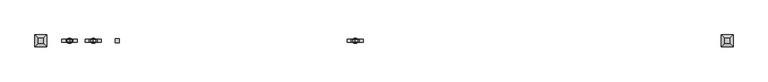
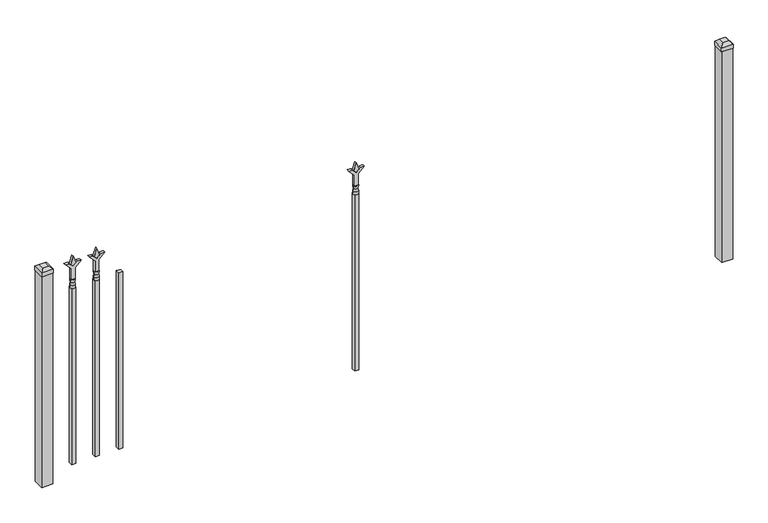
"""IFC4 building model written with IfcOpenShell, lengths in millimetres: railing geometry."""

import ifcopenshell
import ifcopenshell.guid

model = None  # the IFC model being written
_history = None  # IfcOwnerHistory: only IFC2X3 demands one
_inside = {}  # id of a spatial element -> (the spatial element, [elements in it])
_under = {}  # id of a project, library or spatial element -> (it, [spatial elements below it])
_declared = {}  # id of a project -> (the project, [libraries it declares])
_typed = {}  # id of a type object -> (the type object, [elements of that type])
_made_of = {}  # id of a material, layer set ... -> (it, [elements and type objects made of it])


def new_model(schema):
    """Start an empty IFC model of exactly this schema.

    Asked for "IFC4X3", IfcOpenShell would pick the latest addendum, in which some entities
    have other attributes; the version numbers below select the first issue.
    IFC2X3 requires an IfcOwnerHistory on every rooted entity: one is made here for all.
    """
    global model, _history
    if schema == "IFC4X3":
        model = ifcopenshell.file(schema_version=(4, 3, 0, 0))
    else:
        model = ifcopenshell.file(schema=schema)
    _inside.clear()
    _under.clear()
    _declared.clear()
    _typed.clear()
    _made_of.clear()
    _history = None
    if model.schema == "IFC2X3":
        org = make("IfcOrganization", Name="unknown")
        user = make(
            "IfcPersonAndOrganization",
            ThePerson=make("IfcPerson", FamilyName="unknown"),
            TheOrganization=org,
        )
        app = make(
            "IfcApplication",
            ApplicationDeveloper=org,
            Version="unknown",
            ApplicationFullName="unknown",
            ApplicationIdentifier="unknown",
        )
        _history = make(
            "IfcOwnerHistory",
            OwningUser=user,
            OwningApplication=app,
            ChangeAction="ADDED",
            CreationDate=0,
        )
    return model


def make(cls, **values):
    """One entity of the class cls with the attributes given. An attribute that is None is left unset."""
    return model.create_entity(
        cls, **{name: value for name, value in values.items() if value is not None}
    )


def rooted(cls, **values):
    """An entity with a GlobalId (a new one), such as an element, a storey or a relation."""
    return make(cls, GlobalId=ifcopenshell.guid.new(), OwnerHistory=_history, **values)


def si_unit(unit_type, name, prefix=None):
    """IfcSIUnit, for example si_unit("LENGTHUNIT", "METRE", prefix="MILLI")."""
    return make("IfcSIUnit", UnitType=unit_type, Prefix=prefix, Name=name)


def assignment(units):
    """IfcUnitAssignment: the units of a project."""
    return None if units is None else make("IfcUnitAssignment", Units=units)


def point(xyz):
    """IfcCartesianPoint."""
    return None if xyz is None else make("IfcCartesianPoint", Coordinates=xyz)


def direction(xyz):
    """IfcDirection."""
    return None if xyz is None else make("IfcDirection", DirectionRatios=xyz)


def frame(location, z_axis=None, x_axis=None):
    """IfcAxis2Placement3D, a coordinate frame: its origin and axes. An axis left out is left unset."""
    return make(
        "IfcAxis2Placement3D",
        Location=point(location),
        Axis=direction(z_axis),
        RefDirection=direction(x_axis),
    )


def origin():
    """The frame at (0, 0, 0) with its axes left unset."""
    return frame((0.0, 0.0, 0.0))


def origin_with_axes():
    """The frame at (0, 0, 0) with the z axis (0, 0, 1) and the x axis (1, 0, 0) written out."""
    return frame((0.0, 0.0, 0.0), z_axis=(0.0, 0.0, 1.0), x_axis=(1.0, 0.0, 0.0))


def place(relative_to, where):
    """IfcLocalPlacement: puts the frame where relative to a parent placement (None: the world)."""
    return make(
        "IfcLocalPlacement", PlacementRelTo=relative_to, RelativePlacement=where
    )


def context(
    kind, dimensions, precision=None, world=None, true_north=None, identifier=None
):
    """IfcGeometricRepresentationContext, for example the 3D "Model" context."""
    return make(
        "IfcGeometricRepresentationContext",
        ContextIdentifier=identifier,
        ContextType=kind,
        CoordinateSpaceDimension=dimensions,
        Precision=precision,
        WorldCoordinateSystem=world,
        TrueNorth=true_north,
    )


def project(units=None, contexts=None):
    """IfcProject with its units and contexts."""
    return rooted(
        "IfcProject",
        Name="project",
        RepresentationContexts=contexts,
        UnitsInContext=assignment(units),
    )


def spatial(cls, under=None, at=None, **own):
    """A site, building, storey or space (cls), placed at a placement, below another one or the project."""
    s = rooted(cls, ObjectPlacement=at, **own)
    if under is not None:
        _under.setdefault(under.id(), (under, []))[1].append(s)
    return s


def polyline(points):
    """IfcPolyline through the points."""
    return make("IfcPolyline", Points=[point(p) for p in points])


def circle_curve(where, radius):
    """IfcCircle in the frame where."""
    return make("IfcCircle", Position=where, Radius=radius)


def outline(outer, holes=None, kind="AREA"):
    """IfcArbitraryClosedProfileDef: a profile drawn as a closed curve; with holes, ...WithVoids."""
    if holes is None:
        return make("IfcArbitraryClosedProfileDef", ProfileType=kind, OuterCurve=outer)
    return make(
        "IfcArbitraryProfileDefWithVoids",
        ProfileType=kind,
        OuterCurve=outer,
        InnerCurves=holes,
    )


def extrude(swept, where, along, depth):
    """IfcExtrudedAreaSolid: the profile swept, set in the frame where, extruded along a direction by depth."""
    return make(
        "IfcExtrudedAreaSolid",
        SweptArea=swept,
        Position=where,
        ExtrudedDirection=direction(along),
        Depth=depth,
    )


def faces_of(points, faces, orient=None, outer=None):
    """IfcFace entities. A face is a list of loops; a loop is a list of indices into points, from 0.

    orient and outer hold one flag for each loop. By default every Orientation is true, the
    first loop of a face is its IfcFaceOuterBound and the others are IfcFaceBound.
    """
    made = []
    for i, loops in enumerate(faces):
        bounds = []
        for j, loop in enumerate(loops):
            is_outer = j == 0 if outer is None else outer[i][j]
            bounds.append(
                make(
                    "IfcFaceOuterBound" if is_outer else "IfcFaceBound",
                    Bound=make("IfcPolyLoop", Polygon=[points[k] for k in loop]),
                    Orientation=True if orient is None else orient[i][j],
                )
            )
        made.append(make("IfcFace", Bounds=bounds))
    return made


def faceted_brep(points, faces, orient=None, outer=None, voids=None):
    """IfcFacetedBrep: a solid bounded by flat faces; with voids (closed shells), ...WithVoids."""
    shared = [point(p) for p in points]
    hull = make("IfcClosedShell", CfsFaces=faces_of(shared, faces, orient, outer))
    if voids is None:
        return make("IfcFacetedBrep", Outer=hull)
    return make(
        "IfcFacetedBrepWithVoids",
        Outer=hull,
        Voids=[
            make(cls, CfsFaces=faces_of(shared, fs, o, b)) for cls, fs, o, b in voids
        ],
    )


def shape(context_of_items, identifier, shape_type, items):
    """IfcShapeRepresentation: the items that make up one representation, for example the "Body"."""
    return make(
        "IfcShapeRepresentation",
        ContextOfItems=context_of_items,
        RepresentationIdentifier=identifier,
        RepresentationType=shape_type,
        Items=items,
    )


def source(mapping_origin, context_of_items, identifier, shape_type, items):
    """IfcRepresentationMap: a shape defined once, which mapped items show again and again."""
    return make(
        "IfcRepresentationMap",
        MappingOrigin=mapping_origin,
        MappedRepresentation=shape(context_of_items, identifier, shape_type, items),
    )


def transform(
    local_origin,
    x_axis=None,
    y_axis=None,
    z_axis=None,
    scale=None,
    scale2=None,
    scale3=None,
    uniform=True,
):
    """IfcCartesianTransformationOperator3D, or its non-uniform kind. x_axis, y_axis, z_axis: its Axis1, 2, 3."""
    if uniform:
        return make(
            "IfcCartesianTransformationOperator3D",
            Axis1=direction(x_axis),
            Axis2=direction(y_axis),
            LocalOrigin=point(local_origin),
            Scale=scale,
            Axis3=direction(z_axis),
        )
    return make(
        "IfcCartesianTransformationOperator3DnonUniform",
        Axis1=direction(x_axis),
        Axis2=direction(y_axis),
        LocalOrigin=point(local_origin),
        Scale=scale,
        Axis3=direction(z_axis),
        Scale2=scale2,
        Scale3=scale3,
    )


def mapped(mapping_source, mapping_target):
    """IfcMappedItem: shows the shape of a source again, moved by a transform."""
    return make(
        "IfcMappedItem", MappingSource=mapping_source, MappingTarget=mapping_target
    )


def made_of(thing, what):
    """Note that an element or type object is made of a material, layer set ...; save() writes the relation."""
    if what is not None:
        _made_of.setdefault(what.id(), (what, []))[1].append(thing)
    return thing


def element(
    cls,
    number,
    at=None,
    inside=None,
    cuts=None,
    type_object=None,
    material=None,
    context=None,
    identifier="Body",
    shape_type=None,
    held_by="IfcProductDefinitionShape",
    body=None,
    shapes=None,
    **own,
):
    """One element of the class cls, such as IfcWall. Its Tag is "e" and its number.

    at: its placement. inside: the storey or other place that contains it. cuts: it is an
    opening in that element (IfcRelVoidsElement). A single representation is given by context,
    identifier, shape_type and body (its items); several are given by shapes. held_by: the class
    of the entity that holds the representations. save() writes the other relations.
    """
    e = rooted(cls, Tag="e%d" % number, ObjectPlacement=at, **own)
    if body is not None:
        shapes = [shape(context, identifier, shape_type, body)]
    if shapes is not None:
        e.Representation = make(held_by, Representations=shapes)
    if inside is not None:
        _inside.setdefault(inside.id(), (inside, []))[1].append(e)
    if cuts is not None:
        rooted(
            "IfcRelVoidsElement", RelatingBuildingElement=cuts, RelatedOpeningElement=e
        )
    if type_object is not None:
        _typed.setdefault(type_object.id(), (type_object, []))[1].append(e)
    return made_of(e, material)


def aggregate(whole, parts):
    """IfcRelAggregates: a whole, such as a stair, and the parts it consists of."""
    return rooted("IfcRelAggregates", RelatingObject=whole, RelatedObjects=parts)


def save(model, path):
    """Write the relations noted so far, then the file.

    IfcRelAggregates (storeys below a building ...), IfcRelContainedInSpatialStructure (elements
    in a storey), IfcRelDefinesByType, IfcRelAssociatesMaterial and IfcRelDeclares: one each for
    every whole, place, type object, material and project.
    """
    for whole, parts in _under.values():
        aggregate(whole, parts)
    for where, things in _inside.values():
        rooted(
            "IfcRelContainedInSpatialStructure",
            RelatedElements=things,
            RelatingStructure=where,
        )
    for kind, things in _typed.values():
        rooted("IfcRelDefinesByType", RelatedObjects=things, RelatingType=kind)
    for what, things in _made_of.values():
        rooted("IfcRelAssociatesMaterial", RelatedObjects=things, RelatingMaterial=what)
    for by, libraries in _declared.values():
        rooted("IfcRelDeclares", RelatingContext=by, RelatedDefinitions=libraries)
    model.write(path)


def plane_surface(at):
    """IfcPlane: the flat surface through the origin of the frame at, square to its z axis."""
    return make("IfcPlane", Position=at)


def cylinder_surface(at, radius):
    """IfcCylindricalSurface: all points at the distance radius from the z axis of the frame at."""
    return make("IfcCylindricalSurface", Position=at, Radius=radius)


def revolved_surface(curve, axis_point, axis_direction):
    """IfcSurfaceOfRevolution: the curve turned about the line through axis_point along axis_direction."""
    return make(
        "IfcSurfaceOfRevolution",
        SweptCurve=make("IfcArbitraryOpenProfileDef", ProfileType="CURVE", Curve=curve),
        AxisPosition=make("IfcAxis1Placement", Location=point(axis_point), Axis=direction(axis_direction)),
    )


def advanced_brep(points, edges, surfaces, faces):
    """IfcAdvancedBrep: a solid bounded by faces that lie on surfaces and meet in shared edges.

    An edge is (start, end): straight between two places in points (the first is 0);
    or (start, end, curve); or (start, end, curve, False) where it runs against its curve.
    A face is (place in surfaces, loops), or (place, loops, False) where it looks against
    its surface's normal. A loop lists edges by number (the first is 1), with a minus sign
    where the edge is run from its end to its start. The first loop is the outer one.
    """
    corners = [point(p) for p in points]
    vertices = [make("IfcVertexPoint", VertexGeometry=c) for c in corners]
    made = []
    for start, end, *more in edges:
        made.append(
            make(
                "IfcEdgeCurve",
                EdgeStart=vertices[start],
                EdgeEnd=vertices[end],
                EdgeGeometry=more[0] if more else make("IfcPolyline", Points=[corners[start], corners[end]]),
                SameSense=more[1] if len(more) > 1 else True,
            )
        )
    hull = []
    for where, loops, *sense in faces:
        bounds = []
        for j, loop in enumerate(loops):
            ring = [make("IfcOrientedEdge", EdgeElement=made[abs(k) - 1], Orientation=k > 0) for k in loop]
            bounds.append(
                make(
                    "IfcFaceOuterBound" if j == 0 else "IfcFaceBound",
                    Bound=make("IfcEdgeLoop", EdgeList=ring),
                    Orientation=True,
                )
            )
        hull.append(make("IfcAdvancedFace", Bounds=bounds, FaceSurface=surfaces[where], SameSense=sense[0] if sense else True))
    return make("IfcAdvancedBrep", Outer=make("IfcClosedShell", CfsFaces=hull))


def railing_affaf139(model_context):
    return source(origin(), model_context, "Body", "SolidModel", [
        extrude(outline(polyline([(-85388.5347536, -3064.1320174), (-85369.4847536, -3064.1320174), (-85369.4847536, -3083.1820174), (-85388.5347536, -3083.1820174), (-85388.5347536, -3064.1320174)])), frame((0.0, 0.0, 50.8), z_axis=(0.0, 0.0, 1.0), x_axis=(1.0, 0.0, 0.0)), (0.0, 0.0, 1.0), 863.6),
        extrude(outline(polyline([(1031.08125, -85476.3764203), (1066.8, -85488.2826703), (1031.08125, -85500.1889203), (1019.175, -85488.2826703), (1031.08125, -85476.3764203)])), frame((0.0, -3078.4195174, 0.0), z_axis=(0.0, 1.0, 0.0), x_axis=(0.0, 0.0, 1.0)), (0.0, 0.0, 1.0), 9.525),
        extrude(outline(polyline([(955.675, -85479.5514203), (1009.9457378, -85479.5514203), (1037.1355122, -85452.3616458), (1037.1355122, -85470.3221581), (1019.175, -85488.2826703), (1037.1355122, -85506.2431825), (1037.1355122, -85524.2036948), (1009.9457378, -85497.0139203), (955.675, -85497.0139203), (955.675, -85479.5514203)])), frame((0.0, -3080.0070174, 0.0), z_axis=(0.0, 1.0, 0.0), x_axis=(0.0, 0.0, 1.0)), (0.0, 0.0, 1.0), 12.7),
        advanced_brep(
        [(-85476.3764203, -3073.6570174, 927.1), (-85500.1889203, -3073.6570174, 927.1), (-85500.1889203, -3073.6570174, 914.4), (-85476.3764203, -3073.6570174, 914.4), (-85478.5817522, -3073.6570174, 939.6070585), (-85497.9835884, -3073.6570174, 939.6070585), (-85476.3764203, -3073.6570174, 955.675), (-85500.1889203, -3073.6570174, 955.675), (-85488.2826703, -3073.6570174, 955.675), (-85488.2826703, -3073.6570174, 914.4)],
        [
            (0, 1, circle_curve(frame((-85488.2826703, -3073.6570174, 927.1), z_axis=(0.0, 0.0, -1.0), x_axis=(-1.0, 0.0, 0.0)), 11.90625)),
            (1, 2),
            (2, 3, circle_curve(frame((-85488.2826703, -3073.6570174, 914.4), z_axis=(0.0, 0.0, 1.0), x_axis=(-1.0, 0.0, 0.0)), 11.90625)),
            (3, 0),
            (1, 0, circle_curve(frame((-85488.2826703, -3073.6570174, 927.1), z_axis=(0.0, 0.0, -1.0), x_axis=(-1.0, 0.0, 0.0)), 11.90625)),
            (3, 2, circle_curve(frame((-85488.2826703, -3073.6570174, 914.4), z_axis=(0.0, 0.0, 1.0), x_axis=(-1.0, 0.0, 0.0)), 11.90625)),
            (4, 5, circle_curve(frame((-85488.2826703, -3073.6570174, 939.6070585), z_axis=(0.0, 0.0, -1.0), x_axis=(-1.0, 0.0, 0.0)), 9.7009181)),
            (5, 1),
            (0, 4),
            (5, 4, circle_curve(frame((-85488.2826703, -3073.6570174, 939.6070585), z_axis=(0.0, 0.0, -1.0), x_axis=(-1.0, 0.0, 0.0)), 9.7009181)),
            (6, 7, circle_curve(frame((-85488.2826703, -3073.6570174, 955.675), z_axis=(0.0, 0.0, -1.0), x_axis=(-1.0, 0.0, 0.0)), 11.90625)),
            (7, 5),
            (4, 6),
            (7, 6, circle_curve(frame((-85488.2826703, -3073.6570174, 955.675), z_axis=(0.0, 0.0, -1.0), x_axis=(-1.0, 0.0, 0.0)), 11.90625)),
            (8, 7),
            (6, 8),
            (2, 9),
            (9, 3),
        ],
        [
            cylinder_surface(frame((-85488.2826703, -3073.6570174, 914.4), z_axis=(0.0, 0.0, 1.0), x_axis=(-1.0, 0.0, 0.0)), 11.90625),
            revolved_surface(polyline([(-85500.1889203, -3073.6570174, 927.1), (-85497.9835884, -3073.6570174, 939.6070585)]), (-85488.2826703, -3073.6570174, 914.4), (0.0, 0.0, 1.0)),
            revolved_surface(polyline([(-85497.9835884, -3073.6570174, 939.6070585), (-85500.1889203, -3073.6570174, 955.675)]), (-85488.2826703, -3073.6570174, 914.4), (0.0, 0.0, 1.0)),
            plane_surface(frame((-85488.2826703, -3073.6570174, 955.675), z_axis=(0.0, 0.0, 1.0), x_axis=(-1.0, 0.0, 0.0))),
            plane_surface(frame((-85488.2826703, -3073.6570174, 914.4), z_axis=(0.0, 0.0, -1.0), x_axis=(-1.0, 0.0, 0.0))),
        ],
        [
            (0, [[1, 2, 3, 4]]),
            (0, [[5, -4, 6, -2]]),
            (1, [[7, 8, -1, 9]]),
            (1, [[10, -9, -5, -8]]),
            (2, [[11, 12, -7, 13]]),
            (2, [[14, -13, -10, -12]]),
            (3, [[15, -11, 16]]),
            (3, [[-16, -14, -15]]),
            (4, [[-3, 17, 18]]),
            (4, [[-6, -18, -17]]),
        ],
    ),
        extrude(outline(polyline([(-85497.8076703, -3064.1320174), (-85478.7576703, -3064.1320174), (-85478.7576703, -3083.1820174), (-85497.8076703, -3083.1820174), (-85497.8076703, -3064.1320174)])), frame((0.0, 0.0, 50.8), z_axis=(0.0, 0.0, 1.0), x_axis=(1.0, 0.0, 0.0)), (0.0, 0.0, 1.0), 863.6),
        extrude(outline(polyline([(1031.08125, -84274.374337), (1066.8, -84286.280587), (1031.08125, -84298.186837), (1019.175, -84286.280587), (1031.08125, -84274.374337)])), frame((0.0, -3078.4195174, 0.0), z_axis=(0.0, 1.0, 0.0), x_axis=(0.0, 0.0, 1.0)), (0.0, 0.0, 1.0), 9.525),
        extrude(outline(polyline([(955.675, -84277.549337), (1009.9457378, -84277.549337), (1037.1355122, -84250.3595625), (1037.1355122, -84268.3200747), (1019.175, -84286.280587), (1037.1355122, -84304.2410992), (1037.1355122, -84322.2016114), (1009.9457378, -84295.011837), (955.675, -84295.011837), (955.675, -84277.549337)])), frame((0.0, -3080.0070174, 0.0), z_axis=(0.0, 1.0, 0.0), x_axis=(0.0, 0.0, 1.0)), (0.0, 0.0, 1.0), 12.7),
        advanced_brep(
        [(-84274.374337, -3073.6570174, 927.1), (-84298.186837, -3073.6570174, 927.1), (-84298.186837, -3073.6570174, 914.4), (-84274.374337, -3073.6570174, 914.4), (-84276.5796688, -3073.6570174, 939.6070585), (-84295.9815051, -3073.6570174, 939.6070585), (-84274.374337, -3073.6570174, 955.675), (-84298.186837, -3073.6570174, 955.675), (-84286.280587, -3073.6570174, 955.675), (-84286.280587, -3073.6570174, 914.4)],
        [
            (0, 1, circle_curve(frame((-84286.280587, -3073.6570174, 927.1), z_axis=(0.0, 0.0, -1.0), x_axis=(-1.0, 0.0, 0.0)), 11.90625)),
            (1, 2),
            (2, 3, circle_curve(frame((-84286.280587, -3073.6570174, 914.4), z_axis=(0.0, 0.0, 1.0), x_axis=(-1.0, 0.0, 0.0)), 11.90625)),
            (3, 0),
            (1, 0, circle_curve(frame((-84286.280587, -3073.6570174, 927.1), z_axis=(0.0, 0.0, -1.0), x_axis=(-1.0, 0.0, 0.0)), 11.90625)),
            (3, 2, circle_curve(frame((-84286.280587, -3073.6570174, 914.4), z_axis=(0.0, 0.0, 1.0), x_axis=(-1.0, 0.0, 0.0)), 11.90625)),
            (4, 5, circle_curve(frame((-84286.280587, -3073.6570174, 939.6070585), z_axis=(0.0, 0.0, -1.0), x_axis=(-1.0, 0.0, 0.0)), 9.7009181)),
            (5, 1),
            (0, 4),
            (5, 4, circle_curve(frame((-84286.280587, -3073.6570174, 939.6070585), z_axis=(0.0, 0.0, -1.0), x_axis=(-1.0, 0.0, 0.0)), 9.7009181)),
            (6, 7, circle_curve(frame((-84286.280587, -3073.6570174, 955.675), z_axis=(0.0, 0.0, -1.0), x_axis=(-1.0, 0.0, 0.0)), 11.90625)),
            (7, 5),
            (4, 6),
            (7, 6, circle_curve(frame((-84286.280587, -3073.6570174, 955.675), z_axis=(0.0, 0.0, -1.0), x_axis=(-1.0, 0.0, 0.0)), 11.90625)),
            (8, 7),
            (6, 8),
            (2, 9),
            (9, 3),
        ],
        [
            cylinder_surface(frame((-84286.280587, -3073.6570174, 914.4), z_axis=(0.0, 0.0, 1.0), x_axis=(-1.0, 0.0, 0.0)), 11.90625),
            revolved_surface(polyline([(-84298.186837, -3073.6570174, 927.1), (-84295.9815051, -3073.6570174, 939.6070585)]), (-84286.280587, -3073.6570174, 914.4), (0.0, 0.0, 1.0)),
            revolved_surface(polyline([(-84295.9815051, -3073.6570174, 939.6070585), (-84298.186837, -3073.6570174, 955.675)]), (-84286.280587, -3073.6570174, 914.4), (0.0, 0.0, 1.0)),
            plane_surface(frame((-84286.280587, -3073.6570174, 955.675), z_axis=(0.0, 0.0, 1.0), x_axis=(-1.0, 0.0, 0.0))),
            plane_surface(frame((-84286.280587, -3073.6570174, 914.4), z_axis=(0.0, 0.0, -1.0), x_axis=(-1.0, 0.0, 0.0))),
        ],
        [
            (0, [[1, 2, 3, 4]]),
            (0, [[5, -4, 6, -2]]),
            (1, [[7, 8, -1, 9]]),
            (1, [[10, -9, -5, -8]]),
            (2, [[11, 12, -7, 13]]),
            (2, [[14, -13, -10, -12]]),
            (3, [[15, -11, 16]]),
            (3, [[-16, -14, -15]]),
            (4, [[-3, 17, 18]]),
            (4, [[-6, -18, -17]]),
        ],
    ),
        extrude(outline(polyline([(-84295.805587, -3064.1320174), (-84276.755587, -3064.1320174), (-84276.755587, -3083.1820174), (-84295.805587, -3083.1820174), (-84295.805587, -3064.1320174)])), frame((0.0, 0.0, 50.8), z_axis=(0.0, 0.0, 1.0), x_axis=(1.0, 0.0, 0.0)), (0.0, 0.0, 1.0), 863.6),
        extrude(outline(polyline([(1031.08125, -85585.649337), (1066.8, -85597.555587), (1031.08125, -85609.461837), (1019.175, -85597.555587), (1031.08125, -85585.649337)])), frame((0.0, -3078.4195174, 0.0), z_axis=(0.0, 1.0, 0.0), x_axis=(0.0, 0.0, 1.0)), (0.0, 0.0, 1.0), 9.525),
        extrude(outline(polyline([(955.675, -85588.824337), (1009.9457378, -85588.824337), (1037.1355122, -85561.6345625), (1037.1355122, -85579.5950747), (1019.175, -85597.555587), (1037.1355122, -85615.5160992), (1037.1355122, -85633.4766114), (1009.9457378, -85606.286837), (955.675, -85606.286837), (955.675, -85588.824337)])), frame((0.0, -3080.0070174, 0.0), z_axis=(0.0, 1.0, 0.0), x_axis=(0.0, 0.0, 1.0)), (0.0, 0.0, 1.0), 12.7),
        advanced_brep(
        [(-85585.649337, -3073.6570174, 927.1), (-85609.461837, -3073.6570174, 927.1), (-85609.461837, -3073.6570174, 914.4), (-85585.649337, -3073.6570174, 914.4), (-85587.8546688, -3073.6570174, 939.6070585), (-85607.2565051, -3073.6570174, 939.6070585), (-85585.649337, -3073.6570174, 955.675), (-85609.461837, -3073.6570174, 955.675), (-85597.555587, -3073.6570174, 955.675), (-85597.555587, -3073.6570174, 914.4)],
        [
            (0, 1, circle_curve(frame((-85597.555587, -3073.6570174, 927.1), z_axis=(0.0, 0.0, -1.0), x_axis=(-1.0, 0.0, 0.0)), 11.90625)),
            (1, 2),
            (2, 3, circle_curve(frame((-85597.555587, -3073.6570174, 914.4), z_axis=(0.0, 0.0, 1.0), x_axis=(-1.0, 0.0, 0.0)), 11.90625)),
            (3, 0),
            (1, 0, circle_curve(frame((-85597.555587, -3073.6570174, 927.1), z_axis=(0.0, 0.0, -1.0), x_axis=(-1.0, 0.0, 0.0)), 11.90625)),
            (3, 2, circle_curve(frame((-85597.555587, -3073.6570174, 914.4), z_axis=(0.0, 0.0, 1.0), x_axis=(-1.0, 0.0, 0.0)), 11.90625)),
            (4, 5, circle_curve(frame((-85597.555587, -3073.6570174, 939.6070585), z_axis=(0.0, 0.0, -1.0), x_axis=(-1.0, 0.0, 0.0)), 9.7009181)),
            (5, 1),
            (0, 4),
            (5, 4, circle_curve(frame((-85597.555587, -3073.6570174, 939.6070585), z_axis=(0.0, 0.0, -1.0), x_axis=(-1.0, 0.0, 0.0)), 9.7009181)),
            (6, 7, circle_curve(frame((-85597.555587, -3073.6570174, 955.675), z_axis=(0.0, 0.0, -1.0), x_axis=(-1.0, 0.0, 0.0)), 11.90625)),
            (7, 5),
            (4, 6),
            (7, 6, circle_curve(frame((-85597.555587, -3073.6570174, 955.675), z_axis=(0.0, 0.0, -1.0), x_axis=(-1.0, 0.0, 0.0)), 11.90625)),
            (8, 7),
            (6, 8),
            (2, 9),
            (9, 3),
        ],
        [
            cylinder_surface(frame((-85597.555587, -3073.6570174, 914.4), z_axis=(0.0, 0.0, 1.0), x_axis=(-1.0, 0.0, 0.0)), 11.90625),
            revolved_surface(polyline([(-85609.461837, -3073.6570174, 927.1), (-85607.2565051, -3073.6570174, 939.6070585)]), (-85597.555587, -3073.6570174, 914.4), (0.0, 0.0, 1.0)),
            revolved_surface(polyline([(-85607.2565051, -3073.6570174, 939.6070585), (-85609.461837, -3073.6570174, 955.675)]), (-85597.555587, -3073.6570174, 914.4), (0.0, 0.0, 1.0)),
            plane_surface(frame((-85597.555587, -3073.6570174, 955.675), z_axis=(0.0, 0.0, 1.0), x_axis=(-1.0, 0.0, 0.0))),
            plane_surface(frame((-85597.555587, -3073.6570174, 914.4), z_axis=(0.0, 0.0, -1.0), x_axis=(-1.0, 0.0, 0.0))),
        ],
        [
            (0, [[1, 2, 3, 4]]),
            (0, [[5, -4, 6, -2]]),
            (1, [[7, 8, -1, 9]]),
            (1, [[10, -9, -5, -8]]),
            (2, [[11, 12, -7, 13]]),
            (2, [[14, -13, -10, -12]]),
            (3, [[15, -11, 16]]),
            (3, [[-16, -14, -15]]),
            (4, [[-3, 17, 18]]),
            (4, [[-6, -18, -17]]),
        ],
    ),
        extrude(outline(polyline([(-85607.080587, -3064.1320174), (-85588.030587, -3064.1320174), (-85588.030587, -3083.1820174), (-85607.080587, -3083.1820174), (-85607.080587, -3064.1320174)])), frame((0.0, 0.0, 50.8), z_axis=(0.0, 0.0, 1.0), x_axis=(1.0, 0.0, 0.0)), (0.0, 0.0, 1.0), 863.6),
        faceted_brep([(-82606.705587, -3046.6695174, 1054.1), (-82606.705587, -3046.6695174, 1035.05), (-82606.705587, -3100.6445174, 1035.05), (-82606.705587, -3100.6445174, 1054.1), (-82594.005587, -3059.3695174, 1066.8), (-82594.005587, -3087.9445174, 1066.8), (-82552.730587, -3100.6445174, 1035.05), (-82552.730587, -3100.6445174, 1054.1), (-82565.430587, -3087.9445174, 1066.8), (-82552.730587, -3046.6695174, 1035.05), (-82552.730587, -3046.6695174, 1054.1), (-82565.430587, -3059.3695174, 1066.8)], [[[0, 1, 2, 3]], [[4, 0, 3, 5]], [[3, 2, 6, 7]], [[5, 3, 7, 8]], [[7, 6, 9, 10]], [[8, 7, 10, 11]], [[10, 9, 1, 0]], [[11, 10, 0, 4]], [[5, 8, 11, 4]], [[1, 9, 6, 2]]]),
        extrude(outline(polyline([(-82554.318087, -3048.2570174), (-82554.318087, -3099.0570174), (-82605.118087, -3099.0570174), (-82605.118087, -3048.2570174), (-82554.318087, -3048.2570174)])), origin_with_axes(), (0.0, 0.0, 1.0), 1035.05),
        faceted_brep([(-85756.305587, -3046.6695174, 1054.1), (-85756.305587, -3046.6695174, 1035.05), (-85756.305587, -3100.6445174, 1035.05), (-85756.305587, -3100.6445174, 1054.1), (-85743.605587, -3059.3695174, 1066.8), (-85743.605587, -3087.9445174, 1066.8), (-85702.330587, -3100.6445174, 1035.05), (-85702.330587, -3100.6445174, 1054.1), (-85715.030587, -3087.9445174, 1066.8), (-85702.330587, -3046.6695174, 1035.05), (-85702.330587, -3046.6695174, 1054.1), (-85715.030587, -3059.3695174, 1066.8)], [[[0, 1, 2, 3]], [[4, 0, 3, 5]], [[3, 2, 6, 7]], [[5, 3, 7, 8]], [[7, 6, 9, 10]], [[8, 7, 10, 11]], [[10, 9, 1, 0]], [[11, 10, 0, 4]], [[5, 8, 11, 4]], [[1, 9, 6, 2]]]),
        extrude(outline(polyline([(-85703.918087, -3048.2570174), (-85703.918087, -3099.0570174), (-85754.718087, -3099.0570174), (-85754.718087, -3048.2570174), (-85703.918087, -3048.2570174)])), origin_with_axes(), (0.0, 0.0, 1.0), 1035.05),
    ])


if __name__ == "__main__":
    model = new_model("IFC4")
    model_context = context("Model", 3, world=origin())
    ifc_project = project(units=[si_unit("LENGTHUNIT", "METRE", prefix="MILLI")], contexts=[model_context])
    site = spatial("IfcSite", under=ifc_project)
    building = spatial("IfcBuilding", under=site)
    placement = place(None, origin())
    railing_shape = railing_affaf139(model_context)
    element("IfcRailing", 1, at=placement, inside=building, context=model_context, shape_type="MappedRepresentation", body=[
        mapped(railing_shape, transform((0.0, 0.0, 0.0), x_axis=(1.0, 0.0, 0.0), y_axis=(0.0, 1.0, 0.0), z_axis=(0.0, 0.0, 1.0))),
    ])
    save(model, "model.ifc")
